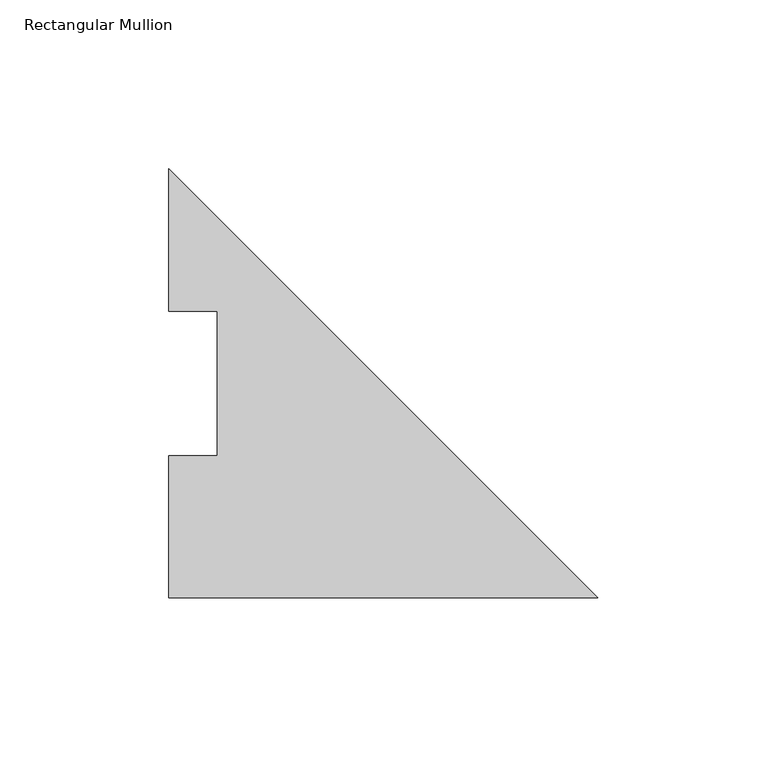
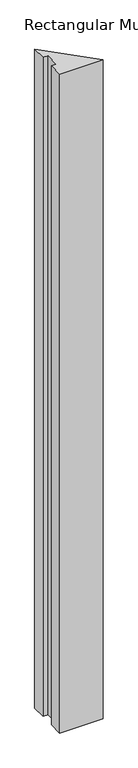
"""IFC4 building model written with IfcOpenShell, lengths in millimetres: member geometry, Rectangular Mullion."""

from ifc_helpers import new_model, si_unit, frame, origin, place, context, project, spatial, polyline, outline, extrude, source, transform, mapped, element, save


def rectangular_mullion_be7d3235(model_context):
    return source(origin(), model_context, "Body", "SweptSolid", [
        extrude(outline(polyline([(-127.0, -0.2913062), (-127.0, 41.7837938), (-112.7125, 41.7837938), (-112.7125, 84.6335937), (-127.0, 84.6335937), (-127.0, 126.7086938), (0.0, -0.2913062), (-127.0, -0.2913062)])), frame((0.0, 0.0, -2044.7176747), z_axis=(0.0, 0.0, 1.0), x_axis=(1.0, 0.0, 0.0)), (0.0, 0.0, 1.0), 2044.7176747),
    ])


if __name__ == "__main__":
    model = new_model("IFC4")
    model_context = context("Model", 3, world=origin())
    ifc_project = project(units=[si_unit("LENGTHUNIT", "METRE", prefix="MILLI")], contexts=[model_context])
    site = spatial("IfcSite", under=ifc_project)
    building = spatial("IfcBuilding", under=site)
    placement = place(None, origin())
    rectangular_mullion_shape = rectangular_mullion_be7d3235(model_context)
    element("IfcMember", 1, ObjectType="Rectangular Mullion", at=placement, inside=building, context=model_context, shape_type="MappedRepresentation", body=[
        mapped(rectangular_mullion_shape, transform((0.0, 0.0, 0.0), x_axis=(1.0, 0.0, 0.0), y_axis=(0.0, 1.0, 0.0), z_axis=(0.0, 0.0, 1.0))),
    ])
    save(model, "model.ifc")
